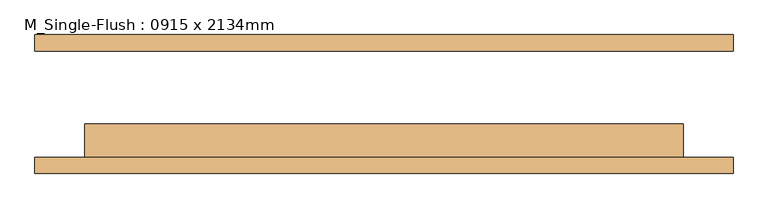
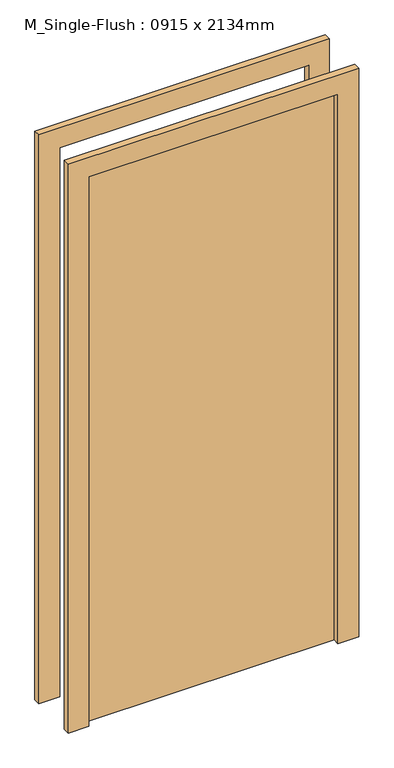
"""IFC4 building model written with IfcOpenShell, lengths in millimetres: door geometry, M_Single-Flush : 0915 x 2134mm."""

from ifc_helpers import new_model, si_unit, frame, origin, origin_with_axes, place, context, project, spatial, polyline, outline, extrude, source, transform, mapped, element, save


def m_single_flush_0915_x_2134mm_daef425c(model_context):
    return source(origin(), model_context, "Body", "SweptSolid", [
        extrude(outline(polyline([(2210.0, -533.5), (0.0, -533.5), (0.0, -457.5), (2134.0, -457.5), (2134.0, 457.5), (0.0, 457.5), (0.0, 533.5), (2210.0, 533.5), (2210.0, -533.5)])), frame((0.0, -106.25, 0.0), z_axis=(0.0, 1.0, 0.0), x_axis=(0.0, 0.0, 1.0)), (0.0, 0.0, 1.0), 25.0),
        extrude(outline(polyline([(2210.0, 533.5), (2210.0, -533.5), (0.0, -533.5), (0.0, -457.5), (2134.0, -457.5), (2134.0, 457.5), (0.0, 457.5), (0.0, 533.5), (2210.0, 533.5)])), frame((0.0, 81.25, 0.0), z_axis=(0.0, 1.0, 0.0), x_axis=(0.0, 0.0, 1.0)), (0.0, 0.0, 1.0), 25.0),
        extrude(outline(polyline([(457.5, -30.25), (457.5, -81.25), (-457.5, -81.25), (-457.5, -30.25), (457.5, -30.25)])), origin_with_axes(), (0.0, 0.0, 1.0), 2134.0),
    ])


if __name__ == "__main__":
    model = new_model("IFC4")
    model_context = context("Model", 3, world=origin())
    ifc_project = project(units=[si_unit("LENGTHUNIT", "METRE", prefix="MILLI")], contexts=[model_context])
    site = spatial("IfcSite", under=ifc_project)
    building = spatial("IfcBuilding", under=site)
    placement = place(None, origin())
    m_single_flush_0915_x_2134mm_shape = m_single_flush_0915_x_2134mm_daef425c(model_context)
    element("IfcDoor", 1, ObjectType="M_Single-Flush : 0915 x 2134mm", at=placement, inside=building, context=model_context, shape_type="MappedRepresentation", body=[
        mapped(m_single_flush_0915_x_2134mm_shape, transform((0.0, 0.0, 0.0), x_axis=(1.0, 0.0, 0.0), y_axis=(0.0, 1.0, 0.0), z_axis=(0.0, 0.0, 1.0))),
    ])
    save(model, "model.ifc")
